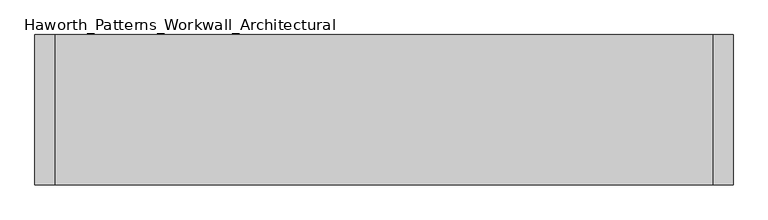
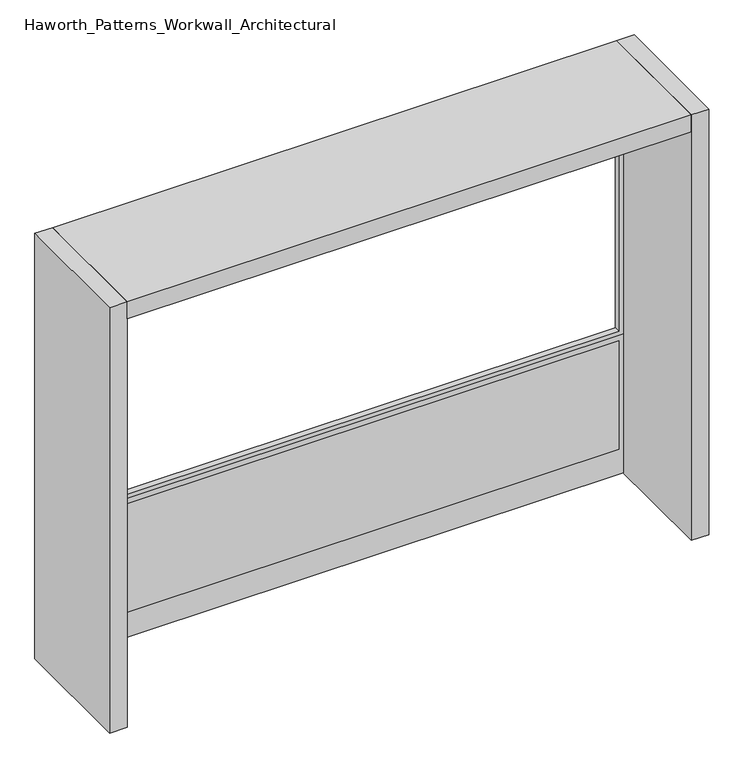
"""IFC4 building model written with IfcOpenShell, lengths in millimetres: furniture geometry, Haworth_Patterns_Workwall_Architectural."""

from ifc_helpers import new_model, si_unit, frame, origin, origin_with_axes, place, context, project, spatial, polyline, outline, extrude, source, transform, mapped, element, save


def haworth_patterns_workwall_architectural_3d68ce2b(model_context):
    return source(origin(), model_context, "Body", "SweptSolid", [
        extrude(outline(polyline([(1866.9, 609.6), (1866.9, -1828.8), (635.0, -1828.8), (635.0, 609.6), (1866.9, 609.6)]), holes=[polyline([(1847.85, 590.55), (654.05, 590.55), (654.05, -1809.75), (1847.85, -1809.75), (1847.85, 590.55)])]), frame((0.0, 330.2, 0.0), z_axis=(0.0, 1.0, 0.0), x_axis=(0.0, 0.0, 1.0)), (0.0, 0.0, 1.0), 25.4),
        extrude(outline(polyline([(590.55, 330.2), (-1809.75, 330.2), (-1809.75, 355.6), (590.55, 355.6), (590.55, 330.2)])), frame((0.0, 0.0, 114.3), z_axis=(0.0, 0.0, 1.0), x_axis=(1.0, 0.0, 0.0)), (0.0, 0.0, 1.0), 495.3),
        extrude(outline(polyline([(635.0, 609.6), (635.0, -1828.8), (0.0, -1828.8), (0.0, 609.6), (635.0, 609.6)]), holes=[polyline([(609.6, 590.55), (114.3, 590.55), (114.3, -1809.75), (609.6, -1809.75), (609.6, 590.55)])]), frame((0.0, 330.2, 0.0), z_axis=(0.0, 1.0, 0.0), x_axis=(0.0, 0.0, 1.0)), (0.0, 0.0, 1.0), 25.4),
        extrude(outline(polyline([(609.6, -177.8), (-1828.8, -177.8), (-1828.8, 381.0), (609.6, 381.0), (609.6, -177.8)])), frame((0.0, 0.0, 1866.9), z_axis=(0.0, 0.0, 1.0), x_axis=(1.0, 0.0, 0.0)), (0.0, 0.0, 1.0), 76.2),
        extrude(outline(polyline([(685.8, 381.0), (685.8, -177.8), (609.6, -177.8), (609.6, 381.0), (685.8, 381.0)])), origin_with_axes(), (0.0, 0.0, 1.0), 1943.1),
        extrude(outline(polyline([(-1828.8, 381.0), (-1828.8, -177.8), (-1905.0, -177.8), (-1905.0, 381.0), (-1828.8, 381.0)])), origin_with_axes(), (0.0, 0.0, 1.0), 1943.1),
    ])


if __name__ == "__main__":
    model = new_model("IFC4")
    model_context = context("Model", 3, world=origin())
    ifc_project = project(units=[si_unit("LENGTHUNIT", "METRE", prefix="MILLI")], contexts=[model_context])
    site = spatial("IfcSite", under=ifc_project)
    building = spatial("IfcBuilding", under=site)
    placement = place(None, origin())
    haworth_patterns_workwall_architectural_shape = haworth_patterns_workwall_architectural_3d68ce2b(model_context)
    element("IfcFurniture", 1, ObjectType="Haworth_Patterns_Workwall_Architectural", at=placement, inside=building, context=model_context, shape_type="MappedRepresentation", body=[
        mapped(haworth_patterns_workwall_architectural_shape, transform((0.0, 0.0, 0.0), x_axis=(1.0, 0.0, 0.0), y_axis=(0.0, 1.0, 0.0), z_axis=(0.0, 0.0, 1.0))),
    ])
    save(model, "model.ifc")
